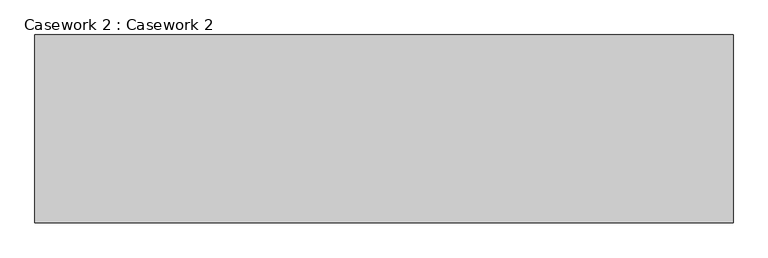
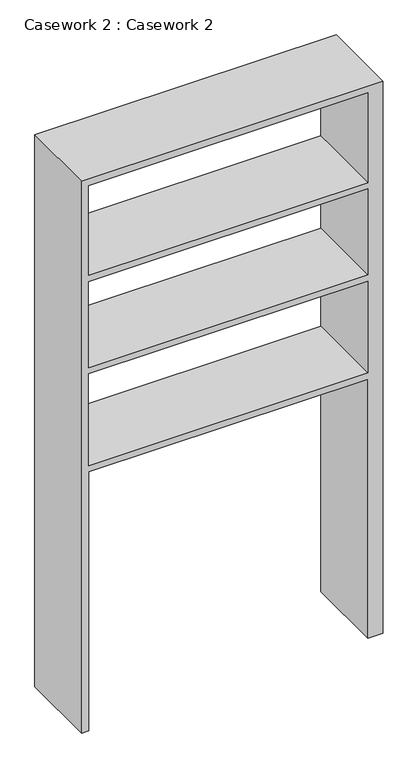
"""IFC4 building model written with IfcOpenShell, lengths in millimetres: furniture geometry, Casework 2 : Casework 2."""

from ifc_helpers import new_model, si_unit, frame, origin, place, context, project, spatial, polyline, outline, extrude, source, transform, mapped, element, save


def casework_2_casework_2_bba45a6f(model_context):
    return source(origin(), model_context, "Body", "SweptSolid", [
        extrude(outline(polyline([(2799.1587921, 6826.8422838), (609.6, 6826.8422838), (609.6, 6852.2422838), (1636.95, 6852.2422838), (1636.95, 7902.0989588), (609.6, 7902.0989588), (609.6, 7959.2489588), (2799.1587921, 7959.2489588), (2799.1587921, 6826.8422838)]), holes=[polyline([(2773.7587921, 7902.0989588), (2418.1587921, 7902.0989588), (2418.1587921, 6852.2422838), (2773.7587921, 6852.2422838), (2773.7587921, 7902.0989588)]), polyline([(2392.7587921, 6852.2422838), (2392.7587921, 7902.0989588), (2051.35, 7902.0989588), (2051.35, 6852.2422838), (2392.7587921, 6852.2422838)]), polyline([(2025.95, 6852.2422838), (2025.95, 7902.0989588), (1662.35, 7902.0989588), (1662.35, 6852.2422838), (2025.95, 6852.2422838)])]), frame((0.0, 1915.4149387, 0.0), z_axis=(0.0, 1.0, 0.0), x_axis=(0.0, 0.0, 1.0)), (0.0, 0.0, 1.0), 304.8),
    ])


if __name__ == "__main__":
    model = new_model("IFC4")
    model_context = context("Model", 3, world=origin())
    ifc_project = project(units=[si_unit("LENGTHUNIT", "METRE", prefix="MILLI")], contexts=[model_context])
    site = spatial("IfcSite", under=ifc_project)
    building = spatial("IfcBuilding", under=site)
    placement = place(None, origin())
    casework_2_casework_2_shape = casework_2_casework_2_bba45a6f(model_context)
    element("IfcFurniture", 1, ObjectType="Casework 2 : Casework 2", at=placement, inside=building, context=model_context, shape_type="MappedRepresentation", body=[
        mapped(casework_2_casework_2_shape, transform((0.0, 0.0, 0.0), x_axis=(1.0, 0.0, 0.0), y_axis=(0.0, 1.0, 0.0), z_axis=(0.0, 0.0, 1.0))),
    ])
    save(model, "model.ifc")
